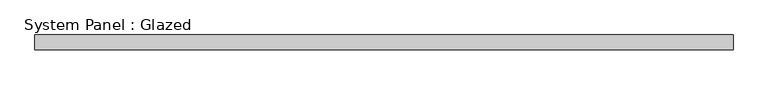
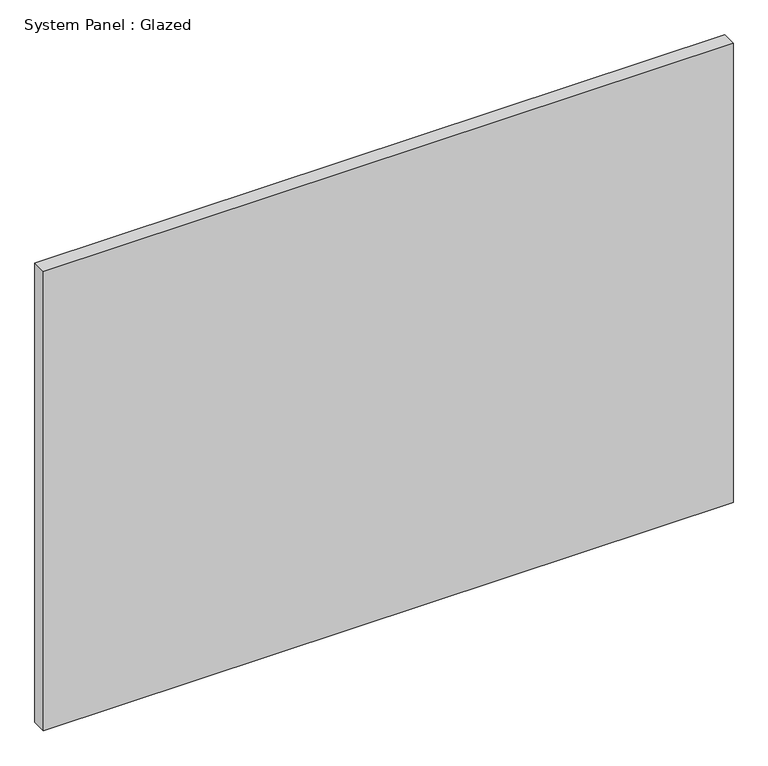
"""IFC4 building model written with IfcOpenShell, lengths in millimetres: plate geometry, System Panel : Glazed."""

from ifc_helpers import new_model, si_unit, origin, origin_with_axes, place, context, project, spatial, polyline, outline, extrude, source, transform, mapped, element, save


def system_panel_glazed_f2797b23(model_context):
    return source(origin(), model_context, "Body", "SweptSolid", [
        extrude(outline(polyline([(593.65, -44.45), (-593.65, -44.45), (-593.65, -19.05), (593.65, -19.05), (593.65, -44.45)])), origin_with_axes(), (0.0, 0.0, 1.0), 836.5),
    ])


if __name__ == "__main__":
    model = new_model("IFC4")
    model_context = context("Model", 3, world=origin())
    ifc_project = project(units=[si_unit("LENGTHUNIT", "METRE", prefix="MILLI")], contexts=[model_context])
    site = spatial("IfcSite", under=ifc_project)
    building = spatial("IfcBuilding", under=site)
    placement = place(None, origin())
    system_panel_glazed_shape = system_panel_glazed_f2797b23(model_context)
    element("IfcPlate", 1, ObjectType="System Panel : Glazed", at=placement, inside=building, context=model_context, shape_type="MappedRepresentation", body=[
        mapped(system_panel_glazed_shape, transform((0.0, 0.0, 0.0), x_axis=(1.0, 0.0, 0.0), y_axis=(0.0, 1.0, 0.0), z_axis=(0.0, 0.0, 1.0))),
    ])
    save(model, "model.ifc")
